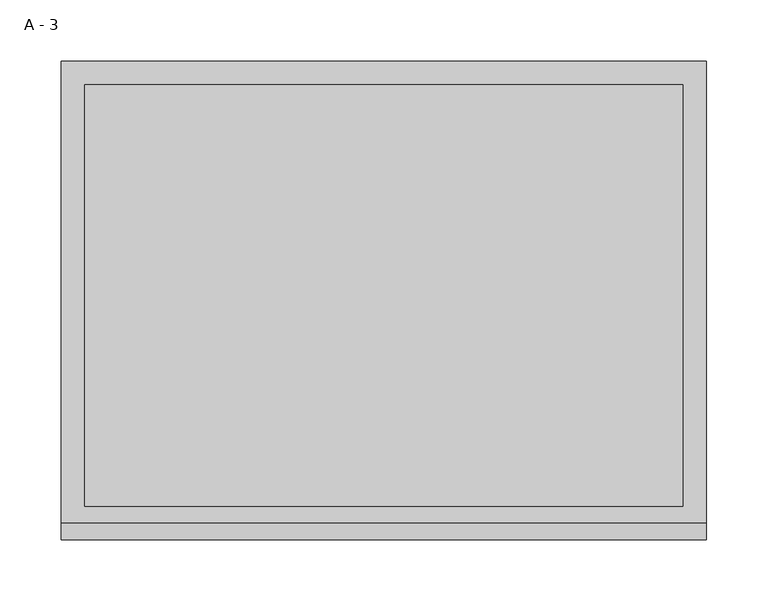
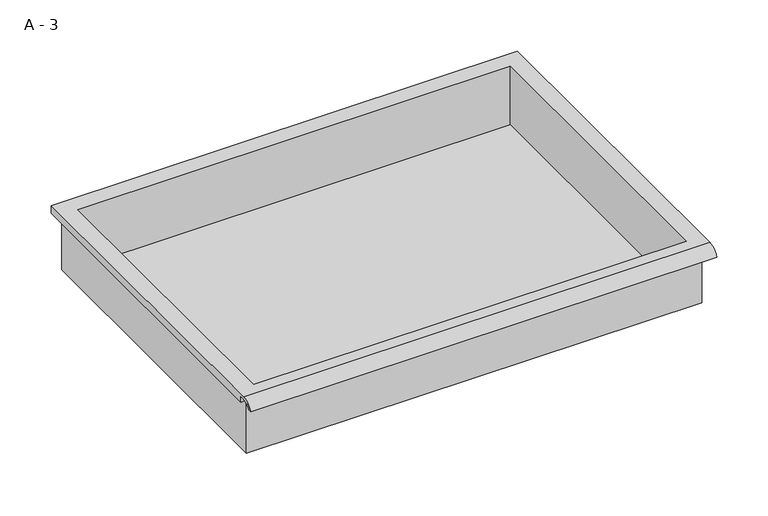
"""IFC4 building model written with IfcOpenShell, lengths in millimetres: furniture geometry, A - 3."""

from ifc_helpers import new_model, si_unit, frame, origin, place, context, project, spatial, polyline, circle_curve, source, transform, mapped, element, save
from ifc_brep_helpers import plane_surface, cylinder_surface, revolved_surface, advanced_brep


def a_3_9c218115(model_context):
    return source(origin(), model_context, "Body", "AdvancedBrep", [
        advanced_brep(
        [(-257.1076517, -176.2125, 800.0111), (257.2423483, -176.2125, 800.0111), (257.2423483, -176.2125, 863.5111), (263.5923483, -176.2125, 863.5111), (263.5923483, -176.2125, 869.8182341), (-263.4576517, -176.2125, 869.8182341), (-263.4576517, -176.2125, 863.5111), (-257.1076517, -176.2125, 863.5111), (257.2423483, 185.7375, 800.0111), (-257.1076517, 185.7375, 800.0111), (-257.1076517, 185.7375, 863.5111), (257.2423483, 185.7375, 863.5111), (263.5923483, -181.6070544, 873.0361), (263.5923483, 195.2625, 873.0361), (-263.4576517, 195.2625, 873.0361), (-263.4576517, -181.6070544, 873.0361), (244.5423483, -168.275, 873.0361), (-244.4076517, -168.275, 873.0361), (-244.4076517, 176.2125, 873.0361), (244.5423483, 176.2125, 873.0361), (263.5923483, -195.2625, 863.5111), (263.5923483, -191.8280601, 863.5111), (263.5923483, -180.4714815, 869.8182341), (263.5923483, 195.2625, 863.5111), (-263.4576517, 195.2625, 863.5111), (-263.4576517, -180.4714815, 869.8182341), (-263.4576517, -191.8280601, 863.5111), (-263.4576517, -195.2625, 863.5111), (-244.4076517, -168.275, 803.0372719), (244.5423483, -168.275, 803.0372719), (244.5423483, 176.2125, 803.0372719), (-244.4076517, 176.2125, 803.0372719)],
        [
            (0, 1),
            (1, 2),
            (2, 3),
            (3, 4),
            (4, 5),
            (5, 6),
            (6, 7),
            (7, 0),
            (8, 9),
            (9, 10),
            (10, 11),
            (11, 8),
            (0, 9),
            (8, 1),
            (11, 2),
            (12, 13),
            (13, 14),
            (14, 15),
            (15, 12),
            (16, 17),
            (17, 18),
            (18, 19),
            (19, 16),
            (7, 10),
            (12, 20, circle_curve(frame((263.5923483, -181.6070544, 858.4850859), z_axis=(1.0, 0.0, 0.0), x_axis=(0.0, 1.0, 0.0)), 14.5510141)),
            (20, 21),
            (21, 22, circle_curve(frame((263.5923483, -181.6070544, 858.4850859), z_axis=(-1.0, 0.0, 0.0), x_axis=(0.0, 1.0, 0.0)), 11.3898979)),
            (22, 4),
            (3, 23),
            (23, 13),
            (14, 24),
            (24, 6),
            (5, 25),
            (25, 26, circle_curve(frame((-263.4576517, -181.6070544, 858.4850859), z_axis=(1.0, 0.0, 0.0), x_axis=(0.0, 1.0, 0.0)), 11.3898979)),
            (26, 27),
            (27, 15, circle_curve(frame((-263.4576517, -181.6070544, 858.4850859), z_axis=(-1.0, 0.0, 0.0), x_axis=(0.0, 1.0, 0.0)), 14.5510141)),
            (27, 20),
            (26, 21),
            (25, 22),
            (24, 23),
            (28, 29),
            (29, 30),
            (30, 31),
            (31, 28),
            (28, 17),
            (16, 29),
            (19, 30),
            (18, 31),
        ],
        [
            plane_surface(frame((257.2423483, -176.2125, 800.0111), z_axis=(0.0, -1.0, 0.0), x_axis=(1.0, 0.0, 0.0))),
            plane_surface(frame((257.2423483, 185.7375, 800.0111), z_axis=(0.0, 1.0, 0.0), x_axis=(-1.0, 0.0, 0.0))),
            plane_surface(frame((-257.1076517, -176.2125, 800.0111), z_axis=(0.0, 0.0, -1.0), x_axis=(0.0, 1.0, 0.0))),
            plane_surface(frame((257.2423483, -176.2125, 800.0111), z_axis=(1.0, 0.0, 0.0), x_axis=(0.0, 1.0, 0.0))),
            plane_surface(frame((257.2423483, -176.2125, 873.0361), z_axis=(0.0, 0.0, 1.0), x_axis=(0.0, 1.0, 0.0))),
            plane_surface(frame((-257.1076517, -176.2125, 873.0361), z_axis=(-1.0, 0.0, 0.0), x_axis=(0.0, 1.0, 0.0))),
            plane_surface(frame((263.5923483, 195.2625, 873.0361), z_axis=(1.0, 0.0, 0.0), x_axis=(0.0, -1.0, 0.0))),
            plane_surface(frame((-263.4576517, 195.2625, 873.0361), z_axis=(-1.0, 0.0, 0.0), x_axis=(0.0, 1.0, 0.0))),
            cylinder_surface(frame((-263.4576517, -181.6070544, 858.4850859), z_axis=(1.0, 0.0, 0.0), x_axis=(0.0, 1.0, 0.0)), 14.5510141),
            plane_surface(frame((263.5923483, -195.2625, 863.5111), z_axis=(0.0, -7.212409108516109e-12, -1.0), x_axis=(-1.0, 0.0, 0.0))),
            revolved_surface(polyline([(-263.4576517, -170.21715650000002, 858.4850859), (263.59234829999997, -170.21715650000002, 858.4850859)]), (-263.4576517, -181.6070544, 858.4850859), (-1.0, 0.0, 0.0)),
            plane_surface(frame((263.5923483, -180.4714815, 869.8182341), z_axis=(0.0, -1.7861410264178152e-11, -1.0), x_axis=(-1.0, 0.0, 0.0))),
            plane_surface(frame((263.5923483, -176.2125, 863.5111), z_axis=(0.0, 0.0, -1.0), x_axis=(-1.0, 0.0, 0.0))),
            plane_surface(frame((263.5923483, 195.2625, 863.5111), z_axis=(0.0, 1.0, 0.0), x_axis=(-1.0, 0.0, 0.0))),
            plane_surface(frame((244.5423483, -168.275, 803.0372719), z_axis=(0.0, 0.0, 1.0), x_axis=(-1.0, 0.0, 0.0))),
            plane_surface(frame((-244.4076517, -168.275, 873.0361), z_axis=(0.0, 1.0, 0.0), x_axis=(0.0, 0.0, -1.0))),
            plane_surface(frame((244.5423483, -168.275, 873.0361), z_axis=(-1.0, 0.0, 0.0), x_axis=(0.0, 0.0, -1.0))),
            plane_surface(frame((244.5423483, 176.2125, 873.0361), z_axis=(0.0, -1.0, 0.0), x_axis=(0.0, 0.0, -1.0))),
            plane_surface(frame((-244.4076517, 176.2125, 873.0361), z_axis=(1.0, 0.0, 0.0), x_axis=(0.0, 0.0, -1.0))),
        ],
        [
            (0, [[1, 2, 3, 4, 5, 6, 7, 8]]),
            (1, [[9, 10, 11, 12]]),
            (2, [[-1, 13, -9, 14]]),
            (3, [[-14, -12, 15, -2]]),
            (4, [[16, 17, 18, 19], [20, 21, 22, 23]]),
            (5, [[-13, -8, 24, -10]]),
            (6, [[-16, 25, 26, 27, 28, -4, 29, 30]]),
            (7, [[31, 32, -6, 33, 34, 35, 36, -18]]),
            (8, [[-25, -19, -36, 37]]),
            (9, [[-26, -37, -35, 38]]),
            (10, [[-27, -38, -34, 39]]),
            (11, [[-28, -39, -33, -5]]),
            (12, [[-29, -3, -15, -11, -24, -7, -32, 40]]),
            (13, [[-30, -40, -31, -17]]),
            (14, [[41, 42, 43, 44]]),
            (15, [[-41, 45, -20, 46]]),
            (16, [[-42, -46, -23, 47]]),
            (17, [[-43, -47, -22, 48]]),
            (18, [[-44, -48, -21, -45]]),
        ],
    ),
    ])


if __name__ == "__main__":
    model = new_model("IFC4")
    model_context = context("Model", 3, world=origin())
    ifc_project = project(units=[si_unit("LENGTHUNIT", "METRE", prefix="MILLI")], contexts=[model_context])
    site = spatial("IfcSite", under=ifc_project)
    building = spatial("IfcBuilding", under=site)
    placement = place(None, origin())
    a_3_shape = a_3_9c218115(model_context)
    element("IfcFurniture", 1, ObjectType="A - 3", at=placement, inside=building, context=model_context, shape_type="MappedRepresentation", body=[
        mapped(a_3_shape, transform((0.0, 0.0, 0.0), x_axis=(1.0, 0.0, 0.0), y_axis=(0.0, 1.0, 0.0), z_axis=(0.0, 0.0, 1.0))),
    ])
    save(model, "model.ifc")
